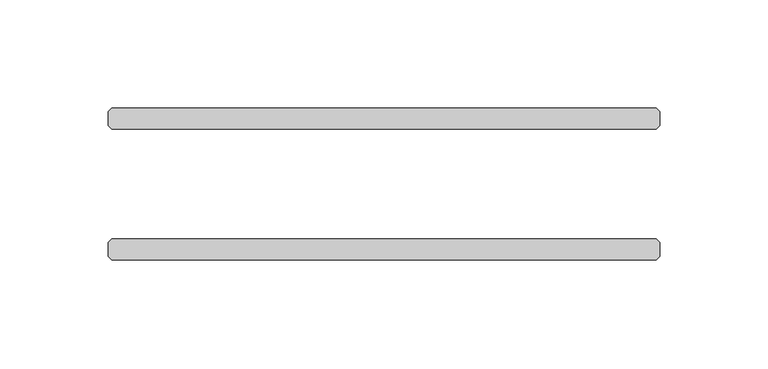
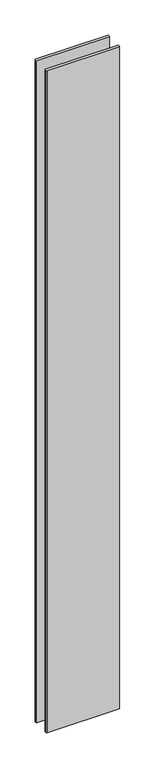
"""IFC4 building model written with IfcOpenShell, lengths in millimetres: plate geometry."""

from ifc_helpers import new_model, si_unit, origin, origin_with_axes, place, context, project, spatial, polyline, outline, extrude, source, transform, mapped, element, save


def plate_6e25f599(model_context):
    return source(origin(), model_context, "Body", "SweptSolid", [
        extrude(outline(polyline([(125.4125, 25.4), (-125.4125, 25.4), (-127.0, 26.9875), (-127.0, 33.3375), (-125.4125, 34.925), (125.4125, 34.925), (127.0, 33.3375), (127.0, 26.9875), (125.4125, 25.4)])), origin_with_axes(), (0.0, 0.0, 1.0), 2417.7625023),
        extrude(outline(polyline([(125.4125, -34.925), (-125.4125, -34.925), (-127.0, -33.3375), (-127.0, -26.9875), (-125.4125, -25.4), (125.4125, -25.4), (127.0, -26.9875), (127.0, -33.3375), (125.4125, -34.925)])), origin_with_axes(), (0.0, 0.0, 1.0), 2417.7625023),
    ])


if __name__ == "__main__":
    model = new_model("IFC4")
    model_context = context("Model", 3, world=origin())
    ifc_project = project(units=[si_unit("LENGTHUNIT", "METRE", prefix="MILLI")], contexts=[model_context])
    site = spatial("IfcSite", under=ifc_project)
    building = spatial("IfcBuilding", under=site)
    placement = place(None, origin())
    plate_shape = plate_6e25f599(model_context)
    element("IfcPlate", 1, at=placement, inside=building, context=model_context, shape_type="MappedRepresentation", body=[
        mapped(plate_shape, transform((0.0, 0.0, 0.0), x_axis=(1.0, 0.0, 0.0), y_axis=(0.0, 1.0, 0.0), z_axis=(0.0, 0.0, 1.0))),
    ])
    save(model, "model.ifc")
